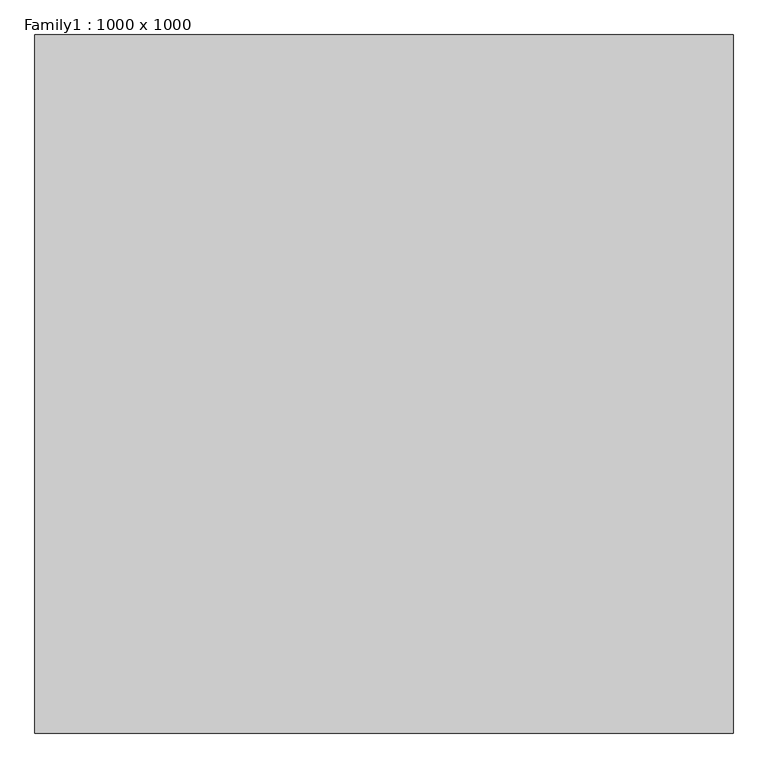
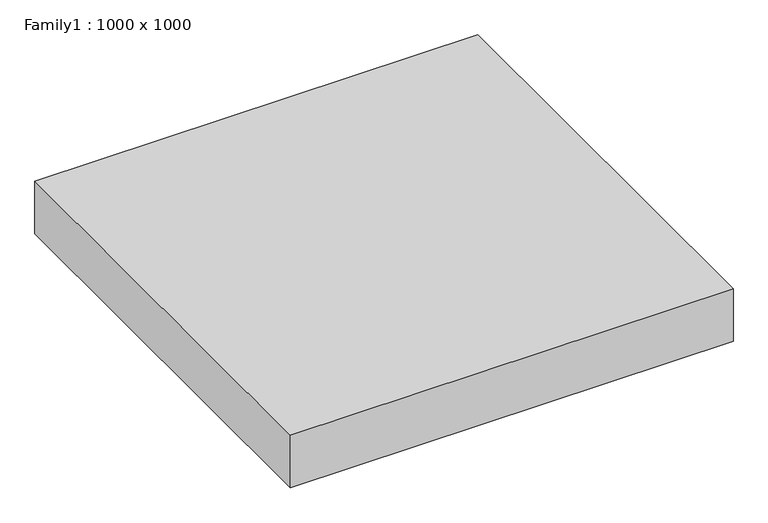
"""IFC4 building model written with IfcOpenShell, lengths in millimetres: proxy geometry, Family1 : 1000 x 1000."""

from ifc_helpers import new_model, si_unit, frame, origin, place, context, project, spatial, polyline, outline, extrude, source, transform, mapped, element, save


def family1_1000_x_1000_ff7ad328(model_context):
    return source(origin(), model_context, "Body", "SweptSolid", [
        extrude(outline(polyline([(500.0, 500.0), (500.0, -500.0), (-500.0, -500.0), (-500.0, 500.0), (500.0, 500.0)])), frame((0.0, 0.0, -25.0), z_axis=(0.0, 0.0, 1.0), x_axis=(1.0, 0.0, 0.0)), (0.0, 0.0, 1.0), 125.0),
    ])


if __name__ == "__main__":
    model = new_model("IFC4")
    model_context = context("Model", 3, world=origin())
    ifc_project = project(units=[si_unit("LENGTHUNIT", "METRE", prefix="MILLI")], contexts=[model_context])
    site = spatial("IfcSite", under=ifc_project)
    building = spatial("IfcBuilding", under=site)
    placement = place(None, origin())
    family1_1000_x_1000_shape = family1_1000_x_1000_ff7ad328(model_context)
    element("IfcBuildingElementProxy", 1, Name="Family1 : 1000 x 1000", ObjectType="Family1 : 1000 x 1000", at=placement, inside=building, context=model_context, shape_type="MappedRepresentation", body=[
        mapped(family1_1000_x_1000_shape, transform((0.0, 0.0, 0.0), x_axis=(1.0, 0.0, 0.0), y_axis=(0.0, 1.0, 0.0), z_axis=(0.0, 0.0, 1.0))),
    ])
    save(model, "model.ifc")
